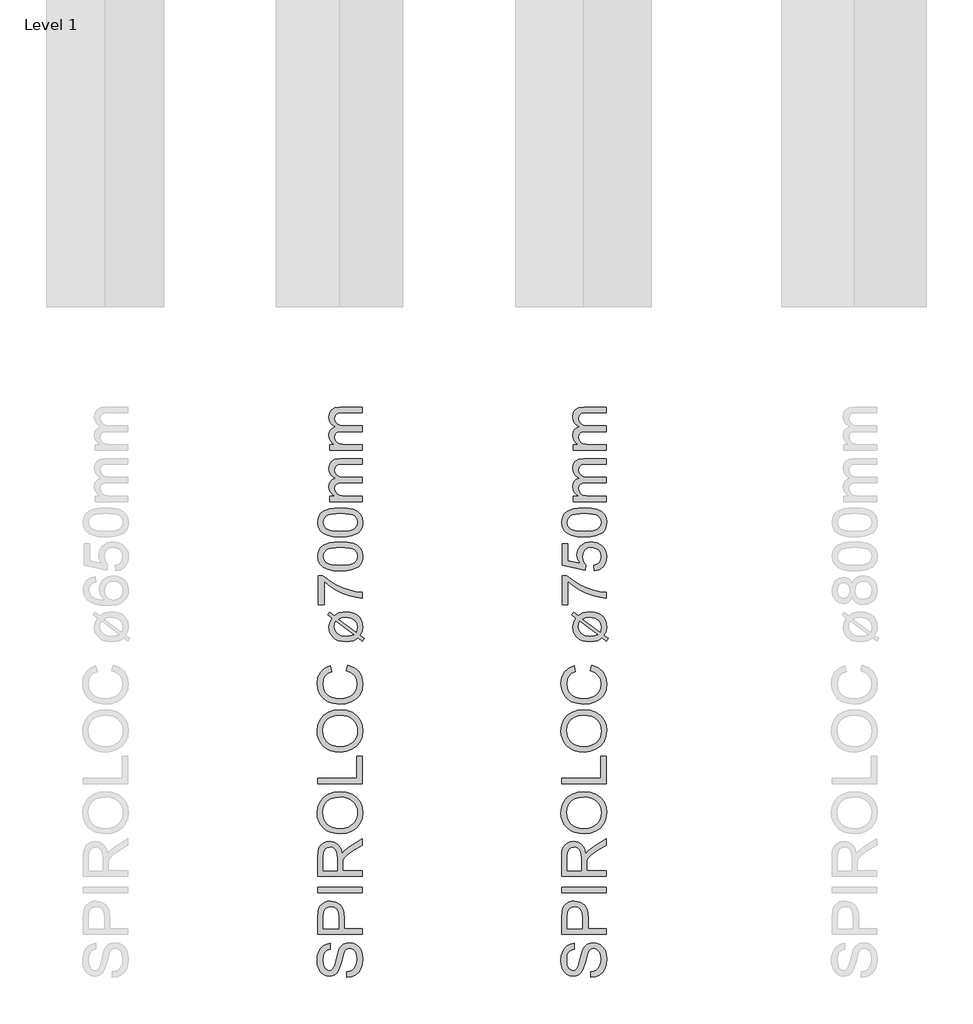
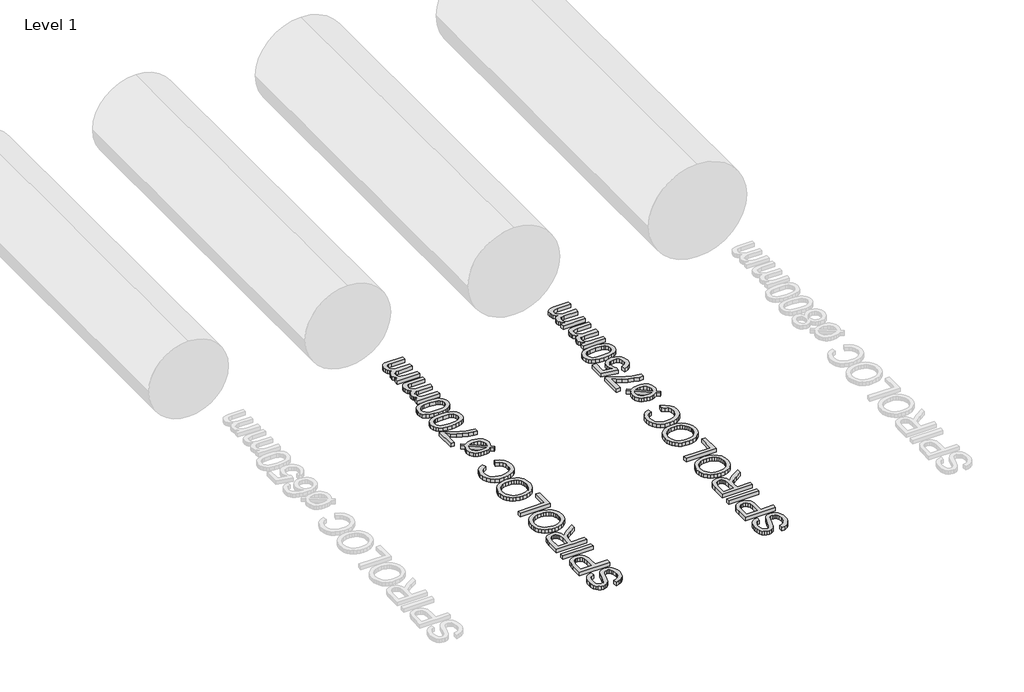
# One storey, part 17 of 19: 2 proxies.
"""IFC4 building model written with IfcOpenShell, lengths in millimetres."""

from ifc_helpers import new_model, si_unit, origin, origin_with_axes, place, context, project, spatial, polyline, outline, extrude, element, save

model = new_model("IFC4")

# Units and contexts
model_context = context("Model", 3, world=origin())
ifc_project = project(units=[si_unit("LENGTHUNIT", "METRE", prefix="MILLI")], contexts=[model_context])

# Site, building, storey
site = spatial("IfcSite", under=ifc_project)
building = spatial("IfcBuilding", under=site)
storey = spatial("IfcBuildingStorey", under=building, Name="Level 1", Elevation=0.0)

# Proxies
placement = place(None, origin())
element("IfcBuildingElementProxy", 1, Name="250mm", ObjectType="250mm", at=placement, inside=storey, context=model_context, shape_type="SweptSolid", body=[
    extrude(outline(polyline([(17825.8043383, -1501.7841772), (17825.8043383, -1471.0149464), (17842.8791581, -1467.4842974), (17856.6036172, -1461.099081), (17867.4960451, -1451.1381435), (17876.074771, -1436.880331), (17881.6411773, -1419.4524464), (17883.496646, -1399.9812926), (17877.8776557, -1367.8298502), (17871.2069826, -1355.6678911), (17862.4329441, -1347.0666291), (17852.3593263, -1341.950944), (17841.7899153, -1340.2457156), (17822.5891941, -1345.3538887), (17814.9945427, -1353.1363406), (17808.6168383, -1366.2673502), (17796.8680403, -1411.0690329), (17781.6937614, -1459.2961964), (17771.3421989, -1474.6132036), (17758.7971268, -1485.4680714), (17744.3289778, -1491.93592), (17728.2081845, -1494.0918695), (17710.1868504, -1491.4251026), (17693.3824633, -1483.4248022), (17679.1396749, -1470.3013046), (17668.8031364, -1452.2649464), (17662.5155763, -1430.615307), (17660.419723, -1406.6519656), (17662.6132326, -1380.6904272), (17669.1937614, -1357.974081), (17680.0260932, -1339.3142252), (17694.9750114, -1325.5221579), (17713.1090258, -1316.7931916), (17733.496646, -1313.3226387), (17733.496646, -1344.0918695), (17715.137271, -1349.7409079), (17701.8860691, -1361.5197541), (17693.8632326, -1379.9242012), (17691.1889537, -1405.4500426), (17693.8331845, -1431.5768454), (17701.7658768, -1449.5005233), (17713.4395547, -1459.8671099), (17727.3067422, -1463.3226387), (17739.1306605, -1460.8737204), (17748.6408768, -1453.5269656), (17757.1444826, -1436.1591772), (17765.8283768, -1403.286581), (17781.2730883, -1348.8394656), (17792.4359489, -1331.2989007), (17806.2129922, -1319.0618214), (17822.4539778, -1311.872819), (17841.0086653, -1309.4764849), (17859.9765138, -1312.2333959), (17877.8175595, -1320.5041291), (17893.1721268, -1333.9506435), (17904.6805403, -1352.2348983), (17911.8695427, -1374.2225786), (17914.2658768, -1398.7793695), (17911.6817422, -1428.9251026), (17903.9293383, -1453.7373022), (17890.9786172, -1473.5014248), (17872.7995307, -1488.5029272), (17850.654098, -1498.1333358), (17825.8043383, -1501.7841772)])), origin_with_axes(), (0.0, 0.0, 1.0), 30.0),
    extrude(outline(polyline([(17910.419723, -1263.3226387), (17664.2658768, -1263.3226387), (17664.2658768, -1172.0966772), (17666.6096268, -1135.317831), (17670.989134, -1118.919093), (17678.1180403, -1105.4199945), (17688.3193624, -1094.5501026), (17701.9161172, -1086.0389849), (17717.9542783, -1080.5401868), (17735.4798191, -1078.7072541), (17764.4912374, -1083.6576748), (17788.6649153, -1098.5089368), (17798.1826436, -1110.4023412), (17804.981021, -1126.2808719), (17809.0600475, -1146.1445287), (17810.419723, -1169.9933118), (17810.419723, -1232.5534079), (17910.419723, -1232.5534079), (17910.419723, -1263.3226387)]), holes=[polyline([(17779.6504922, -1232.5534079), (17779.6504922, -1168.1904272), (17776.825973, -1140.9067733), (17768.3524153, -1122.8779272), (17754.7556605, -1112.8268454), (17736.5615499, -1109.4764849), (17722.7394345, -1111.4521459), (17711.0807807, -1117.3791291), (17702.3067422, -1126.5212565), (17697.138473, -1138.1423502), (17695.0351076, -1168.911581), (17695.0351076, -1232.5534079), (17779.6504922, -1232.5534079)])]), origin_with_axes(), (0.0, 0.0, 1.0), 30.0),
    extrude(outline(polyline([(17910.419723, -1032.5534079), (17664.2658768, -1032.5534079), (17664.2658768, -1001.7841772), (17910.419723, -1001.7841772), (17910.419723, -1032.5534079)])), origin_with_axes(), (0.0, 0.0, 1.0), 30.0),
    extrude(outline(polyline([(17910.419723, -940.2457156), (17664.2658768, -940.2457156), (17664.2658768, -834.1760041), (17665.9260331, -805.6678911), (17670.9065018, -784.927206), (17680.1012133, -769.7679512), (17694.404098, -758.0041291), (17712.1399754, -750.4545498), (17731.6336653, -747.9380233), (17755.8824633, -752.107194), (17775.9846268, -764.614706), (17790.7232085, -785.8361603), (17798.8812614, -816.1471579), (17812.0423191, -798.6591772), (17843.7129922, -773.7192733), (17910.419723, -732.6736002), (17910.419723, -768.4308118), (17859.3980883, -800.4620618), (17825.6240499, -823.599081), (17809.668521, -839.8550906), (17803.809146, -854.4885041), (17802.7274153, -872.3370618), (17802.7274153, -909.4764849), (17910.419723, -909.4764849), (17910.419723, -940.2457156)]), holes=[polyline([(17771.9581845, -909.4764849), (17771.9581845, -840.6062926), (17767.6012133, -805.4800906), (17761.9371508, -793.9266051), (17753.6589057, -785.5281676), (17743.645384, -780.4124825), (17732.7754922, -778.7072541), (17717.7664778, -781.9599584), (17705.6721268, -791.7180714), (17697.6943624, -808.5074344), (17695.0351076, -832.8538887), (17695.0351076, -909.4764849), (17771.9581845, -909.4764849)])]), origin_with_axes(), (0.0, 0.0, 1.0), 30.0),
    extrude(outline(polyline([(17790.5879922, -705.630331), (17761.7155463, -703.5795498), (17736.1559008, -697.427206), (17713.9090559, -687.1732998), (17694.9750114, -672.817831), (17679.8570727, -655.220926), (17669.0585451, -635.2427108), (17662.5794285, -612.8831856), (17660.419723, -588.1423502), (17664.4762133, -555.8556916), (17676.6456845, -526.9043695), (17696.0717662, -502.8659079), (17721.8980883, -485.317831), (17752.8776557, -474.5906676), (17787.763473, -471.0149464), (17823.1150355, -474.778468), (17854.5302999, -486.0690329), (17880.4016941, -504.2631435), (17899.121646, -528.7373022), (17910.4798191, -557.4407276), (17914.2658768, -588.3226387), (17910.0816821, -621.1050906), (17897.529098, -650.2216772), (17877.7424393, -674.2000426), (17851.856021, -691.567831), (17822.0708648, -702.114706), (17790.5879922, -705.630331)]), holes=[polyline([(17790.888473, -674.8611002), (17811.2873612, -673.3230143), (17829.3950835, -668.7087565), (17845.21164, -661.0183268), (17858.7370307, -650.2517252), (17869.5693624, -637.1639097), (17877.3067422, -622.5098382), (17881.9491701, -606.2895107), (17883.496646, -588.5029272), (17881.934146, -570.4121069), (17877.246646, -554.0002228), (17869.434146, -539.2672751), (17858.496646, -526.2132637), (17844.6857987, -515.5255383), (17828.2532566, -507.8914488), (17809.1990198, -503.3109951), (17787.5230883, -501.7841772), (17760.2845066, -504.3983599), (17736.7418383, -512.2409079), (17717.4885331, -525.1089969), (17703.1180403, -542.7998022), (17694.1712254, -564.1414488), (17691.1889537, -587.9620618), (17696.9356484, -621.0600185), (17714.1757326, -649.2000426), (17727.5903209, -660.4267553), (17744.8473071, -668.4458358), (17765.9466911, -673.2572841), (17790.888473, -674.8611002)])]), origin_with_axes(), (0.0, 0.0, 1.0), 30.0),
    extrude(outline(polyline([(17910.419723, -428.7072541), (17664.2658768, -428.7072541), (17664.2658768, -397.9380233), (17879.6504922, -397.9380233), (17879.6504922, -274.8611002), (17910.419723, -274.8611002), (17910.419723, -428.7072541)])), origin_with_axes(), (0.0, 0.0, 1.0), 30.0),
    extrude(outline(polyline([(17790.5879922, -251.7841772), (17761.7155463, -249.7333959), (17736.1559008, -243.5810522), (17713.9090559, -233.3271459), (17694.9750114, -218.9716772), (17679.8570727, -201.3747721), (17669.0585451, -181.396557), (17662.5794285, -159.0370317), (17660.419723, -134.2961964), (17664.4762133, -102.0095377), (17676.6456845, -73.0582156), (17696.0717662, -49.0197541), (17721.8980883, -31.4716772), (17752.8776557, -20.7445137), (17787.763473, -17.1687926), (17823.1150355, -20.9323142), (17854.5302999, -32.2228791), (17880.4016941, -50.4169897), (17899.121646, -74.8911483), (17910.4798191, -103.5945738), (17914.2658768, -134.4764849), (17910.0816821, -167.2589368), (17897.529098, -196.3755233), (17877.7424393, -220.3538887), (17851.856021, -237.7216772), (17822.0708648, -248.2685522), (17790.5879922, -251.7841772)]), holes=[polyline([(17790.888473, -221.0149464), (17811.2873612, -219.4768605), (17829.3950835, -214.8626026), (17845.21164, -207.172173), (17858.7370307, -196.4055714), (17869.5693624, -183.3177559), (17877.3067422, -168.6636844), (17881.9491701, -152.4433569), (17883.496646, -134.6567733), (17881.934146, -116.565953), (17877.246646, -100.154069), (17869.434146, -85.4211213), (17858.496646, -72.3671099), (17844.6857987, -61.6793845), (17828.2532566, -54.045295), (17809.1990198, -49.4648412), (17787.5230883, -47.9380233), (17760.2845066, -50.552206), (17736.7418383, -58.3947541), (17717.4885331, -71.262843), (17703.1180403, -88.9536483), (17694.1712254, -110.295295), (17691.1889537, -134.1159079), (17696.9356484, -167.2138647), (17714.1757326, -195.3538887), (17727.5903209, -206.5806014), (17744.8473071, -214.599682), (17765.9466911, -219.4111303), (17790.888473, -221.0149464)])]), origin_with_axes(), (0.0, 0.0, 1.0), 30.0),
    extrude(outline(polyline([(17822.919723, 198.2158228), (17830.8524153, 228.9850536), (17866.7072831, 214.7873373), (17892.9016941, 192.5066882), (17908.9248311, 163.2398613), (17914.2658768, 128.0836113), (17910.2244105, 92.3940079), (17898.1000114, 64.0511594), (17878.3133528, 42.3263998), (17851.2851076, 26.4910632), (17819.5092662, 16.8230945), (17785.4798191, 13.6004382), (17749.5873912, 17.2437675), (17718.5927999, 28.1737555), (17693.4801196, 45.8194887), (17675.2334249, 69.6100536), (17664.1231484, 97.8251978), (17660.419723, 128.744669), (17665.2123912, 162.4811474), (17679.590396, 190.3732748), (17702.6673191, 211.549657), (17733.5567422, 225.1388998), (17740.888473, 194.369669), (17718.4500715, 183.7026017), (17703.0579441, 169.1292844), (17694.1562013, 150.4694286), (17691.1889537, 127.5427459), (17694.4792182, 101.1154623), (17704.3500114, 79.4057267), (17719.7646749, 62.9318685), (17739.6865499, 52.2122171), (17762.2075835, 46.330306), (17785.419723, 44.369669), (17813.8452037, 46.6908829), (17838.4245307, 53.6545248), (17858.2187013, 65.5235151), (17872.2887133, 82.5607748), (17880.6946629, 102.985955), (17883.496646, 125.0187074), (17879.6805403, 150.7023012), (17868.232223, 172.104044), (17849.2718864, 188.2623974), (17822.919723, 198.2158228)])), origin_with_axes(), (0.0, 0.0, 1.0), 30.0),
    extrude(outline(polyline([(17743.3524153, 490.2831305), (17719.0735691, 508.6725536), (17730.2514537, 523.3360151), (17755.6721268, 504.0451498), (17781.934146, 519.5499574), (17821.1168383, 525.1388998), (17844.6595066, 523.3923553), (17864.8668383, 518.1527219), (17881.7388335, 509.4199995), (17895.2754922, 497.1941882), (17909.5182807, 472.2092123), (17914.2658768, 442.5667844), (17910.2244105, 417.822193), (17898.1000114, 396.1124574), (17921.9581845, 378.0235151), (17911.0206845, 363.119669), (17888.2442422, 380.4273613), (17865.0471268, 366.4249574), (17845.2454441, 361.4219526), (17822.9798191, 359.7542844), (17799.093476, 361.2717123), (17778.7565619, 365.8239959), (17761.9690769, 373.4111353), (17748.731021, 384.0331305), (17731.536009, 410.4303661), (17725.8043383, 441.0643805), (17730.0411172, 466.0042844), (17743.3524153, 490.2831305)]), holes=[polyline([(17765.2274153, 473.6965921), (17758.7370307, 458.3119767), (17756.5735691, 442.2062074), (17760.7277158, 421.9988757), (17773.1901557, 405.3672651), (17793.8707446, 394.2344526), (17822.6793383, 390.5235151), (17845.0952037, 392.6719526), (17863.544723, 399.1172651), (17765.2274153, 473.6965921)]), polyline([(17780.6120307, 485.1749574), (17878.388473, 411.0163036), (17883.496646, 440.5836113), (17879.4326436, 461.9177459), (17867.2406364, 479.1653421), (17846.9356484, 490.5685873), (17818.5327037, 494.369669), (17797.3187614, 492.025919), (17780.6120307, 485.1749574)])]), origin_with_axes(), (0.0, 0.0, 1.0), 30.0),
    extrude(outline(polyline([(17698.8812614, 563.6004382), (17668.1120307, 563.6004382), (17668.1120307, 725.1388998), (17692.9918383, 725.1388998), (17722.1309609, 702.1145608), (17759.1877518, 679.3155824), (17800.7818023, 659.205907), (17843.5327037, 644.2494767), (17875.5188816, 636.9177459), (17910.419723, 632.8312074), (17910.419723, 602.0619767), (17878.7039778, 605.3898012), (17841.0086653, 614.291544), (17801.052235, 628.5268204), (17762.5531364, 647.8552459), (17727.7499513, 670.4213517), (17698.8812614, 694.369669), (17698.8812614, 563.6004382)])), origin_with_axes(), (0.0, 0.0, 1.0), 30.0),
    extrude(outline(polyline([(17789.325973, 752.0619767), (17749.9254321, 754.3230945), (17718.5026557, 761.1064478), (17694.5768744, 772.3444286), (17677.6673191, 787.9694286), (17667.6162374, 808.0941281), (17664.2658768, 832.8312074), (17666.2490499, 851.791544), (17672.1985691, 868.7687074), (17681.8815619, 882.9664238), (17695.0651557, 893.588419), (17731.4834249, 908.0114959), (17756.6862494, 912.2032026), (17789.325973, 913.6004382), (17828.5011533, 911.3618565), (17859.8488095, 904.6461113), (17883.7971268, 893.4757387), (17900.7742903, 877.8732748), (17910.8929802, 857.7035031), (17914.2658768, 832.8312074), (17912.8010331, 815.8840921), (17908.4065018, 800.8600536), (17901.0822831, 787.7590921), (17890.8283768, 776.5812074), (17872.2924694, 765.854044), (17849.1967662, 758.1917844), (17821.5412674, 753.5944286), (17789.325973, 752.0619767)]), holes=[polyline([(17789.2658768, 782.8312074), (17837.6658167, 786.4369767), (17854.2204291, 790.9441882), (17865.6781364, 797.2542844), (17879.0420186, 813.3600536), (17883.496646, 832.8312074), (17879.0269946, 852.3023613), (17865.6180403, 868.4081305), (17854.1415529, 874.7182267), (17837.5906965, 879.2254382), (17789.2658768, 882.8312074), (17741.9551797, 879.3456305), (17725.4550295, 874.9886594), (17713.7250114, 868.8888998), (17699.7075835, 852.8131786), (17695.0351076, 832.4706305), (17699.1516941, 813.2098132), (17711.5014537, 797.7350536), (17724.2718864, 791.2146209), (17741.4894345, 786.557169), (17789.2658768, 782.8312074)])]), origin_with_axes(), (0.0, 0.0, 1.0), 30.0),
    extrude(outline(polyline([(17789.325973, 940.5235151), (17749.9254321, 942.7846329), (17718.5026557, 949.5679863), (17694.5768744, 960.8059671), (17677.6673191, 976.4309671), (17667.6162374, 996.5556666), (17664.2658768, 1021.2927459), (17666.2490499, 1040.2530824), (17672.1985691, 1057.2302459), (17681.8815619, 1071.4279623), (17695.0651557, 1082.0499574), (17731.4834249, 1096.4730344), (17756.6862494, 1100.6647411), (17789.325973, 1102.0619767), (17828.5011533, 1099.8233949), (17859.8488095, 1093.1076498), (17883.7971268, 1081.9372772), (17900.7742903, 1066.3348132), (17910.8929802, 1046.1650416), (17914.2658768, 1021.2927459), (17912.8010331, 1004.3456305), (17908.4065018, 989.3215921), (17901.0822831, 976.2206305), (17890.8283768, 965.0427459), (17872.2924694, 954.3155824), (17849.1967662, 946.6533228), (17821.5412674, 942.0559671), (17789.325973, 940.5235151)]), holes=[polyline([(17789.2658768, 971.2927459), (17837.6658167, 974.8985151), (17854.2204291, 979.4057267), (17865.6781364, 985.7158228), (17879.0420186, 1001.8215921), (17883.496646, 1021.2927459), (17879.0269946, 1040.7638998), (17865.6180403, 1056.869669), (17854.1415529, 1063.1797651), (17837.5906965, 1067.6869767), (17789.2658768, 1071.2927459), (17741.9551797, 1067.807169), (17725.4550295, 1063.4501978), (17713.7250114, 1057.3504382), (17699.7075835, 1041.2747171), (17695.0351076, 1020.932169), (17699.1516941, 1001.6713517), (17711.5014537, 986.1965921), (17724.2718864, 979.6761594), (17741.4894345, 975.0187074), (17789.2658768, 971.2927459)])]), origin_with_axes(), (0.0, 0.0, 1.0), 30.0),
    extrude(outline(polyline([(17910.419723, 1136.6773613), (17729.6504922, 1136.6773613), (17729.6504922, 1167.4465921), (17759.3980883, 1167.4465921), (17745.7337254, 1176.7013998), (17735.029098, 1188.6004382), (17728.1105283, 1202.7380584), (17725.8043383, 1218.7086113), (17728.1556004, 1235.8209911), (17735.2093864, 1249.5379382), (17746.4999513, 1259.7843324), (17761.5615499, 1266.4850536), (17745.9177698, 1277.7004983), (17734.7436412, 1290.4934671), (17728.0391641, 1304.8639599), (17725.8043383, 1320.8119767), (17729.5227879, 1343.9414839), (17740.6781364, 1361.0463517), (17759.5708648, 1371.6157627), (17786.5014537, 1375.1388998), (17910.419723, 1375.1388998), (17910.419723, 1344.369669), (17799.7226076, 1344.369669), (17774.0315018, 1341.5151017), (17761.3812614, 1331.1785632), (17756.5735691, 1313.6004382), (17759.653497, 1296.9312675), (17768.8932807, 1283.3420248), (17784.9239297, 1274.3050656), (17808.3764537, 1271.2927459), (17910.419723, 1271.2927459), (17910.419723, 1240.5235151), (17796.2971268, 1240.5235151), (17778.8992903, 1238.7431666), (17766.4894345, 1233.4021209), (17759.0525355, 1224.0045849), (17756.5735691, 1210.0547651), (17758.2262133, 1198.2007988), (17763.184146, 1187.2783228), (17771.3271749, 1178.2638998), (17782.5351076, 1172.1340921), (17819.2538576, 1167.4465921), (17910.419723, 1167.4465921), (17910.419723, 1136.6773613)])), origin_with_axes(), (0.0, 0.0, 1.0), 30.0),
    extrude(outline(polyline([(17910.419723, 1421.2927459), (17729.6504922, 1421.2927459), (17729.6504922, 1452.0619767), (17759.3980883, 1452.0619767), (17745.7337254, 1461.3167844), (17735.029098, 1473.2158228), (17728.1105283, 1487.353443), (17725.8043383, 1503.3239959), (17728.1556004, 1520.4363757), (17735.2093864, 1534.1533228), (17746.4999513, 1544.3997171), (17761.5615499, 1551.1004382), (17745.9177698, 1562.3158829), (17734.7436412, 1575.1088517), (17728.0391641, 1589.4793445), (17725.8043383, 1605.4273613), (17729.5227879, 1628.5568685), (17740.6781364, 1645.6617363), (17759.5708648, 1656.2311474), (17786.5014537, 1659.7542844), (17910.419723, 1659.7542844), (17910.419723, 1628.9850536), (17799.7226076, 1628.9850536), (17774.0315018, 1626.1304863), (17761.3812614, 1615.7939478), (17756.5735691, 1598.2158228), (17759.653497, 1581.5466522), (17768.8932807, 1567.9574094), (17784.9239297, 1558.9204502), (17808.3764537, 1555.9081305), (17910.419723, 1555.9081305), (17910.419723, 1525.1388998), (17796.2971268, 1525.1388998), (17778.8992903, 1523.3585512), (17766.4894345, 1518.0175055), (17759.0525355, 1508.6199695), (17756.5735691, 1494.6701498), (17758.2262133, 1482.8161834), (17763.184146, 1471.8937074), (17771.3271749, 1462.8792844), (17782.5351076, 1456.7494767), (17819.2538576, 1452.0619767), (17910.419723, 1452.0619767), (17910.419723, 1421.2927459)])), origin_with_axes(), (0.0, 0.0, 1.0), 30.0),
])
element("IfcBuildingElementProxy", 2, Name="250mm", ObjectType="250mm", at=placement, inside=storey, context=model_context, shape_type="SweptSolid", body=[
    extrude(outline(polyline([(19178.116604, -1501.7841772), (19178.116604, -1471.0149464), (19195.1914237, -1467.4842974), (19208.9158829, -1461.099081), (19219.8083108, -1451.1381435), (19228.3870367, -1436.880331), (19233.953443, -1419.4524464), (19235.8089117, -1399.9812926), (19230.1899213, -1367.8298502), (19223.5192483, -1355.6678911), (19214.7452098, -1347.0666291), (19204.671592, -1341.950944), (19194.102181, -1340.2457156), (19174.9014598, -1345.3538887), (19167.3068084, -1353.1363406), (19160.929104, -1366.2673502), (19149.180306, -1411.0690329), (19134.0060271, -1459.2961964), (19123.6544646, -1474.6132036), (19111.1093925, -1485.4680714), (19096.6412435, -1491.93592), (19080.5204502, -1494.0918695), (19062.499116, -1491.4251026), (19045.694729, -1483.4248022), (19031.4519406, -1470.3013046), (19021.1154021, -1452.2649464), (19014.827842, -1430.615307), (19012.7319886, -1406.6519656), (19014.9254983, -1380.6904272), (19021.5060271, -1357.974081), (19032.3383588, -1339.3142252), (19047.2872771, -1325.5221579), (19065.4212915, -1316.7931916), (19085.8089117, -1313.3226387), (19085.8089117, -1344.0918695), (19067.4495367, -1349.7409079), (19054.1983348, -1361.5197541), (19046.1754983, -1379.9242012), (19043.5012194, -1405.4500426), (19046.1454502, -1431.5768454), (19054.0781425, -1449.5005233), (19065.7518204, -1459.8671099), (19079.6190079, -1463.3226387), (19091.4429261, -1460.8737204), (19100.9531425, -1453.5269656), (19109.4567483, -1436.1591772), (19118.1406425, -1403.286581), (19133.585354, -1348.8394656), (19144.7482146, -1331.2989007), (19158.5252579, -1319.0618214), (19174.7662435, -1311.872819), (19193.320931, -1309.4764849), (19212.2887795, -1312.2333959), (19230.1298252, -1320.5041291), (19245.4843925, -1333.9506435), (19256.992806, -1352.2348983), (19264.1818084, -1374.2225786), (19266.5781425, -1398.7793695), (19263.9940079, -1428.9251026), (19256.241604, -1453.7373022), (19243.2908829, -1473.5014248), (19225.1117963, -1488.5029272), (19202.9663636, -1498.1333358), (19178.116604, -1501.7841772)])), origin_with_axes(), (0.0, 0.0, 1.0), 30.0),
    extrude(outline(polyline([(19262.7319886, -1263.3226387), (19016.5781425, -1263.3226387), (19016.5781425, -1172.0966772), (19018.9218925, -1135.317831), (19023.3013997, -1118.919093), (19030.430306, -1105.4199945), (19040.6316281, -1094.5501026), (19054.2283829, -1086.0389849), (19070.2665439, -1080.5401868), (19087.7920848, -1078.7072541), (19116.8035031, -1083.6576748), (19140.977181, -1098.5089368), (19150.4949093, -1110.4023412), (19157.2932867, -1126.2808719), (19161.3723132, -1146.1445287), (19162.7319886, -1169.9933118), (19162.7319886, -1232.5534079), (19262.7319886, -1232.5534079), (19262.7319886, -1263.3226387)]), holes=[polyline([(19131.9627579, -1232.5534079), (19131.9627579, -1168.1904272), (19129.1382386, -1140.9067733), (19120.664681, -1122.8779272), (19107.0679261, -1112.8268454), (19088.8738156, -1109.4764849), (19075.0517002, -1111.4521459), (19063.3930463, -1117.3791291), (19054.6190079, -1126.5212565), (19049.4507386, -1138.1423502), (19047.3473733, -1168.911581), (19047.3473733, -1232.5534079), (19131.9627579, -1232.5534079)])]), origin_with_axes(), (0.0, 0.0, 1.0), 30.0),
    extrude(outline(polyline([(19262.7319886, -1032.5534079), (19016.5781425, -1032.5534079), (19016.5781425, -1001.7841772), (19262.7319886, -1001.7841772), (19262.7319886, -1032.5534079)])), origin_with_axes(), (0.0, 0.0, 1.0), 30.0),
    extrude(outline(polyline([(19262.7319886, -940.2457156), (19016.5781425, -940.2457156), (19016.5781425, -834.1760041), (19018.2382987, -805.6678911), (19023.2187675, -784.927206), (19032.413479, -769.7679512), (19046.7163636, -758.0041291), (19064.452241, -750.4545498), (19083.945931, -747.9380233), (19108.194729, -752.107194), (19128.2968925, -764.614706), (19143.0354742, -785.8361603), (19151.1935271, -816.1471579), (19164.3545848, -798.6591772), (19196.0252579, -773.7192733), (19262.7319886, -732.6736002), (19262.7319886, -768.4308118), (19211.710354, -800.4620618), (19177.9363156, -823.599081), (19161.9807867, -839.8550906), (19156.1214117, -854.4885041), (19155.039681, -872.3370618), (19155.039681, -909.4764849), (19262.7319886, -909.4764849), (19262.7319886, -940.2457156)]), holes=[polyline([(19124.2704502, -909.4764849), (19124.2704502, -840.6062926), (19119.913479, -805.4800906), (19114.2494165, -793.9266051), (19105.9711713, -785.5281676), (19095.9576497, -780.4124825), (19085.0877579, -778.7072541), (19070.0787435, -781.9599584), (19057.9843925, -791.7180714), (19050.0066281, -808.5074344), (19047.3473733, -832.8538887), (19047.3473733, -909.4764849), (19124.2704502, -909.4764849)])]), origin_with_axes(), (0.0, 0.0, 1.0), 30.0),
    extrude(outline(polyline([(19142.9002579, -705.630331), (19114.027812, -703.5795498), (19088.4681665, -697.427206), (19066.2213216, -687.1732998), (19047.2872771, -672.817831), (19032.1693384, -655.220926), (19021.3708108, -635.2427108), (19014.8916942, -612.8831856), (19012.7319886, -588.1423502), (19016.788479, -555.8556916), (19028.9579502, -526.9043695), (19048.3840319, -502.8659079), (19074.210354, -485.317831), (19105.1899213, -474.5906676), (19140.0757386, -471.0149464), (19175.4273011, -474.778468), (19206.8425656, -486.0690329), (19232.7139598, -504.2631435), (19251.4339117, -528.7373022), (19262.7920848, -557.4407276), (19266.5781425, -588.3226387), (19262.3939478, -621.1050906), (19249.8413636, -650.2216772), (19230.054705, -674.2000426), (19204.1682867, -691.567831), (19174.3831305, -702.114706), (19142.9002579, -705.630331)]), holes=[polyline([(19143.2007386, -674.8611002), (19163.5996269, -673.3230143), (19181.7073492, -668.7087565), (19197.5239057, -661.0183268), (19211.0492963, -650.2517252), (19221.8816281, -637.1639097), (19229.6190079, -622.5098382), (19234.2614358, -606.2895107), (19235.8089117, -588.5029272), (19234.2464117, -570.4121069), (19229.5589117, -554.0002228), (19221.7464117, -539.2672751), (19210.8089117, -526.2132637), (19196.9980644, -515.5255383), (19180.5655223, -507.8914488), (19161.5112855, -503.3109951), (19139.835354, -501.7841772), (19112.5967723, -504.3983599), (19089.054104, -512.2409079), (19069.8007987, -525.1089969), (19055.430306, -542.7998022), (19046.483491, -564.1414488), (19043.5012194, -587.9620618), (19049.2479141, -621.0600185), (19066.4879983, -649.2000426), (19079.9025866, -660.4267553), (19097.1595728, -668.4458358), (19118.2589568, -673.2572841), (19143.2007386, -674.8611002)])]), origin_with_axes(), (0.0, 0.0, 1.0), 30.0),
    extrude(outline(polyline([(19262.7319886, -428.7072541), (19016.5781425, -428.7072541), (19016.5781425, -397.9380233), (19231.9627579, -397.9380233), (19231.9627579, -274.8611002), (19262.7319886, -274.8611002), (19262.7319886, -428.7072541)])), origin_with_axes(), (0.0, 0.0, 1.0), 30.0),
    extrude(outline(polyline([(19142.9002579, -251.7841772), (19114.027812, -249.7333959), (19088.4681665, -243.5810522), (19066.2213216, -233.3271459), (19047.2872771, -218.9716772), (19032.1693384, -201.3747721), (19021.3708108, -181.396557), (19014.8916942, -159.0370317), (19012.7319886, -134.2961964), (19016.788479, -102.0095377), (19028.9579502, -73.0582156), (19048.3840319, -49.0197541), (19074.210354, -31.4716772), (19105.1899213, -20.7445137), (19140.0757386, -17.1687926), (19175.4273011, -20.9323142), (19206.8425656, -32.2228791), (19232.7139598, -50.4169897), (19251.4339117, -74.8911483), (19262.7920848, -103.5945738), (19266.5781425, -134.4764849), (19262.3939478, -167.2589368), (19249.8413636, -196.3755233), (19230.054705, -220.3538887), (19204.1682867, -237.7216772), (19174.3831305, -248.2685522), (19142.9002579, -251.7841772)]), holes=[polyline([(19143.2007386, -221.0149464), (19163.5996269, -219.4768605), (19181.7073492, -214.8626026), (19197.5239057, -207.172173), (19211.0492963, -196.4055714), (19221.8816281, -183.3177559), (19229.6190079, -168.6636844), (19234.2614358, -152.4433569), (19235.8089117, -134.6567733), (19234.2464117, -116.565953), (19229.5589117, -100.154069), (19221.7464117, -85.4211213), (19210.8089117, -72.3671099), (19196.9980644, -61.6793845), (19180.5655223, -54.045295), (19161.5112855, -49.4648412), (19139.835354, -47.9380233), (19112.5967723, -50.552206), (19089.054104, -58.3947541), (19069.8007987, -71.262843), (19055.430306, -88.9536483), (19046.483491, -110.295295), (19043.5012194, -134.1159079), (19049.2479141, -167.2138647), (19066.4879983, -195.3538887), (19079.9025866, -206.5806014), (19097.1595728, -214.599682), (19118.2589568, -219.4111303), (19143.2007386, -221.0149464)])]), origin_with_axes(), (0.0, 0.0, 1.0), 30.0),
    extrude(outline(polyline([(19175.2319886, 198.2158228), (19183.164681, 228.9850536), (19219.0195487, 214.7873373), (19245.2139598, 192.5066882), (19261.2370968, 163.2398613), (19266.5781425, 128.0836113), (19262.5366761, 92.3940079), (19250.4122771, 64.0511594), (19230.6256185, 42.3263998), (19203.5973733, 26.4910632), (19171.8215319, 16.8230945), (19137.7920848, 13.6004382), (19101.8996569, 17.2437675), (19070.9050656, 28.1737555), (19045.7923853, 45.8194887), (19027.5456906, 69.6100536), (19016.4354141, 97.8251978), (19012.7319886, 128.744669), (19017.5246569, 162.4811474), (19031.9026617, 190.3732748), (19054.9795848, 211.549657), (19085.8690079, 225.1388998), (19093.2007386, 194.369669), (19070.7623372, 183.7026017), (19055.3702098, 169.1292844), (19046.468467, 150.4694286), (19043.5012194, 127.5427459), (19046.7914838, 101.1154623), (19056.6622771, 79.4057267), (19072.0769406, 62.9318685), (19091.9988156, 52.2122171), (19114.5198492, 46.330306), (19137.7319886, 44.369669), (19166.1574694, 46.6908829), (19190.7367963, 53.6545248), (19210.530967, 65.5235151), (19224.600979, 82.5607748), (19233.0069285, 102.985955), (19235.8089117, 125.0187074), (19231.992806, 150.7023012), (19220.5444886, 172.104044), (19201.5841521, 188.2623974), (19175.2319886, 198.2158228)])), origin_with_axes(), (0.0, 0.0, 1.0), 30.0),
    extrude(outline(polyline([(19095.664681, 490.2831305), (19071.3858348, 508.6725536), (19082.5637194, 523.3360151), (19107.9843925, 504.0451498), (19134.2464117, 519.5499574), (19173.429104, 525.1388998), (19196.9717723, 523.3923553), (19217.179104, 518.1527219), (19234.0510992, 509.4199995), (19247.5877579, 497.1941882), (19261.8305463, 472.2092123), (19266.5781425, 442.5667844), (19262.5366761, 417.822193), (19250.4122771, 396.1124574), (19274.2704502, 378.0235151), (19263.3329502, 363.119669), (19240.5565079, 380.4273613), (19217.3593925, 366.4249574), (19197.5577098, 361.4219526), (19175.2920848, 359.7542844), (19151.4057417, 361.2717123), (19131.0688276, 365.8239959), (19114.2813426, 373.4111353), (19101.0432867, 384.0331305), (19083.8482747, 410.4303661), (19078.116604, 441.0643805), (19082.3533829, 466.0042844), (19095.664681, 490.2831305)]), holes=[polyline([(19117.539681, 473.6965921), (19111.0492963, 458.3119767), (19108.8858348, 442.2062074), (19113.0399814, 421.9988757), (19125.5024213, 405.3672651), (19146.1830103, 394.2344526), (19174.991604, 390.5235151), (19197.4074694, 392.6719526), (19215.8569886, 399.1172651), (19117.539681, 473.6965921)]), polyline([(19132.9242963, 485.1749574), (19230.7007386, 411.0163036), (19235.8089117, 440.5836113), (19231.7449093, 461.9177459), (19219.5529021, 479.1653421), (19199.2479141, 490.5685873), (19170.8449694, 494.369669), (19149.6310271, 492.025919), (19132.9242963, 485.1749574)])]), origin_with_axes(), (0.0, 0.0, 1.0), 30.0),
    extrude(outline(polyline([(19051.1935271, 563.6004382), (19020.4242963, 563.6004382), (19020.4242963, 725.1388998), (19045.304104, 725.1388998), (19074.4432266, 702.1145608), (19111.5000175, 679.3155824), (19153.094068, 659.205907), (19195.8449694, 644.2494767), (19227.8311473, 636.9177459), (19262.7319886, 632.8312074), (19262.7319886, 602.0619767), (19231.0162435, 605.3898012), (19193.320931, 614.291544), (19153.3645007, 628.5268204), (19114.8654021, 647.8552459), (19080.062217, 670.4213517), (19051.1935271, 694.369669), (19051.1935271, 563.6004382)])), origin_with_axes(), (0.0, 0.0, 1.0), 30.0),
    extrude(outline(polyline([(19197.3473733, 752.0619767), (19193.5012194, 782.8312074), (19211.9732747, 788.4802459), (19225.2019406, 798.3360151), (19233.1571689, 812.353443), (19235.8089117, 830.4874574), (19232.1205103, 852.5427459), (19221.055306, 869.0691882), (19203.890342, 879.3907026), (19181.9026617, 882.8312074), (19161.1995367, 879.6085512), (19145.3642002, 869.9405824), (19135.3131185, 853.752181), (19131.9627579, 830.9682267), (19137.3113156, 803.9550055), (19151.1935271, 786.6773613), (19147.3473733, 755.9081305), (19020.4242963, 782.8312074), (19020.4242963, 902.0619767), (19051.1935271, 902.0619767), (19051.1935271, 807.7110151), (19118.9819886, 794.5499574), (19105.6406425, 816.5301257), (19101.1935271, 839.5619767), (19106.7073492, 868.3104743), (19123.2488156, 892.1761594), (19148.4591521, 908.2443685), (19179.9795848, 913.6004382), (19210.7488156, 908.7777219), (19237.070931, 894.3095728), (19249.980336, 881.5241161), (19259.2013396, 866.6052459), (19264.7339418, 849.5529623), (19266.5781425, 830.3672651), (19261.8380584, 800.1464118), (19247.617806, 776.0703901), (19225.5700295, 759.5664839), (19197.3473733, 752.0619767)])), origin_with_axes(), (0.0, 0.0, 1.0), 30.0),
    extrude(outline(polyline([(19141.6382386, 940.5235151), (19102.2376978, 942.7846329), (19070.8149213, 949.5679863), (19046.8891401, 960.8059671), (19029.9795848, 976.4309671), (19019.9285031, 996.5556666), (19016.5781425, 1021.2927459), (19018.5613156, 1040.2530824), (19024.5108348, 1057.2302459), (19034.1938276, 1071.4279623), (19047.3774213, 1082.0499574), (19083.7956906, 1096.4730344), (19108.9985151, 1100.6647411), (19141.6382386, 1102.0619767), (19180.8134189, 1099.8233949), (19212.1610752, 1093.1076498), (19236.1093925, 1081.9372772), (19253.086556, 1066.3348132), (19263.2052459, 1046.1650416), (19266.5781425, 1021.2927459), (19265.1132987, 1004.3456305), (19260.7187675, 989.3215921), (19253.3945487, 976.2206305), (19243.1406425, 965.0427459), (19224.604735, 954.3155824), (19201.5090319, 946.6533228), (19173.8535331, 942.0559671), (19141.6382386, 940.5235151)]), holes=[polyline([(19141.5781425, 971.2927459), (19189.9780824, 974.8985151), (19206.5326948, 979.4057267), (19217.9904021, 985.7158228), (19231.3542843, 1001.8215921), (19235.8089117, 1021.2927459), (19231.3392603, 1040.7638998), (19217.930306, 1056.869669), (19206.4538186, 1063.1797651), (19189.9029622, 1067.6869767), (19141.5781425, 1071.2927459), (19094.2674454, 1067.807169), (19077.7672951, 1063.4501978), (19066.0372771, 1057.3504382), (19052.0198492, 1041.2747171), (19047.3473733, 1020.932169), (19051.4639598, 1001.6713517), (19063.8137194, 986.1965921), (19076.5841521, 979.6761594), (19093.8017002, 975.0187074), (19141.5781425, 971.2927459)])]), origin_with_axes(), (0.0, 0.0, 1.0), 30.0),
    extrude(outline(polyline([(19262.7319886, 1136.6773613), (19081.9627579, 1136.6773613), (19081.9627579, 1167.4465921), (19111.710354, 1167.4465921), (19098.045991, 1176.7013998), (19087.3413636, 1188.6004382), (19080.4227939, 1202.7380584), (19078.116604, 1218.7086113), (19080.467866, 1235.8209911), (19087.5216521, 1249.5379382), (19098.812217, 1259.7843324), (19113.8738156, 1266.4850536), (19098.2300355, 1277.7004983), (19087.0559069, 1290.4934671), (19080.3514298, 1304.8639599), (19078.116604, 1320.8119767), (19081.8350535, 1343.9414839), (19092.9904021, 1361.0463517), (19111.8831305, 1371.6157627), (19138.8137194, 1375.1388998), (19262.7319886, 1375.1388998), (19262.7319886, 1344.369669), (19152.0348733, 1344.369669), (19126.3437675, 1341.5151017), (19113.6935271, 1331.1785632), (19108.8858348, 1313.6004382), (19111.9657627, 1296.9312675), (19121.2055463, 1283.3420248), (19137.2361954, 1274.3050656), (19160.6887194, 1271.2927459), (19262.7319886, 1271.2927459), (19262.7319886, 1240.5235151), (19148.6093925, 1240.5235151), (19131.211556, 1238.7431666), (19118.8017002, 1233.4021209), (19111.3648011, 1224.0045849), (19108.8858348, 1210.0547651), (19110.538479, 1198.2007988), (19115.4964117, 1187.2783228), (19123.6394406, 1178.2638998), (19134.8473733, 1172.1340921), (19171.5661233, 1167.4465921), (19262.7319886, 1167.4465921), (19262.7319886, 1136.6773613)])), origin_with_axes(), (0.0, 0.0, 1.0), 30.0),
    extrude(outline(polyline([(19262.7319886, 1421.2927459), (19081.9627579, 1421.2927459), (19081.9627579, 1452.0619767), (19111.710354, 1452.0619767), (19098.045991, 1461.3167844), (19087.3413636, 1473.2158228), (19080.4227939, 1487.353443), (19078.116604, 1503.3239959), (19080.467866, 1520.4363757), (19087.5216521, 1534.1533228), (19098.812217, 1544.3997171), (19113.8738156, 1551.1004382), (19098.2300355, 1562.3158829), (19087.0559069, 1575.1088517), (19080.3514298, 1589.4793445), (19078.116604, 1605.4273613), (19081.8350535, 1628.5568685), (19092.9904021, 1645.6617363), (19111.8831305, 1656.2311474), (19138.8137194, 1659.7542844), (19262.7319886, 1659.7542844), (19262.7319886, 1628.9850536), (19152.0348733, 1628.9850536), (19126.3437675, 1626.1304863), (19113.6935271, 1615.7939478), (19108.8858348, 1598.2158228), (19111.9657627, 1581.5466522), (19121.2055463, 1567.9574094), (19137.2361954, 1558.9204502), (19160.6887194, 1555.9081305), (19262.7319886, 1555.9081305), (19262.7319886, 1525.1388998), (19148.6093925, 1525.1388998), (19131.211556, 1523.3585512), (19118.8017002, 1518.0175055), (19111.3648011, 1508.6199695), (19108.8858348, 1494.6701498), (19110.538479, 1482.8161834), (19115.4964117, 1471.8937074), (19123.6394406, 1462.8792844), (19134.8473733, 1456.7494767), (19171.5661233, 1452.0619767), (19262.7319886, 1452.0619767), (19262.7319886, 1421.2927459)])), origin_with_axes(), (0.0, 0.0, 1.0), 30.0),
])

save(model, "model.ifc")
